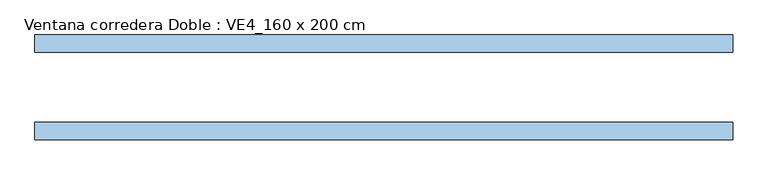
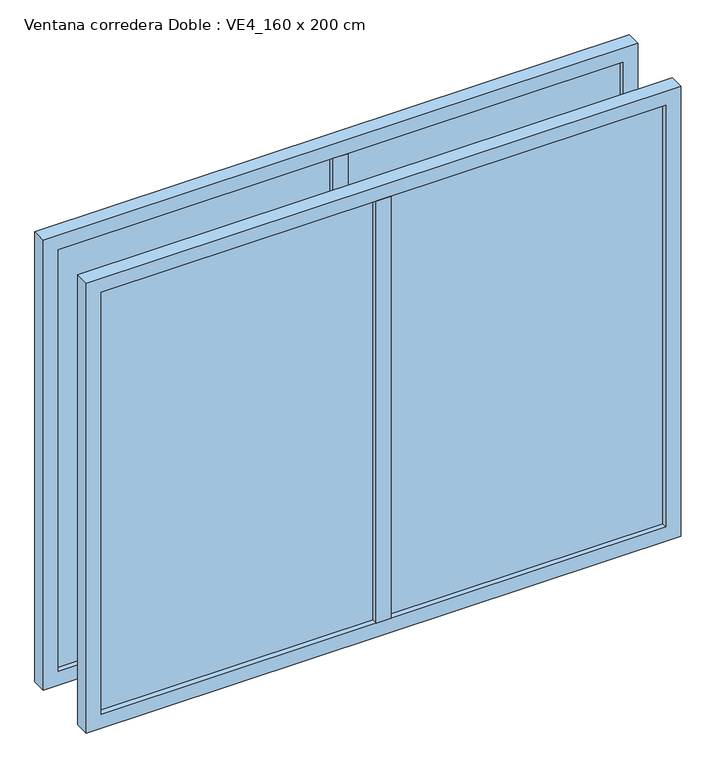
"""IFC4 building model written with IfcOpenShell, lengths in millimetres: window geometry, Ventana corredera Doble : VE4_160 x 200 cm."""

from ifc_helpers import new_model, si_unit, frame, origin, place, context, project, spatial, polyline, outline, extrude, source, transform, mapped, element, save


def ventana_corredera_doble_ve4_160_x_200_cm_9f5d9473(model_context):
    return source(origin(), model_context, "Body", "SweptSolid", [
        extrude(outline(polyline([(-25.0, -150.0), (-25.0, -100.0), (25.0, -100.0), (25.0, -150.0), (-25.0, -150.0)])), frame((0.0, 0.0, 850.0), z_axis=(0.0, 0.0, 1.0), x_axis=(1.0, 0.0, 0.0)), (0.0, 0.0, 1.0), 1500.0),
        extrude(outline(polyline([(950.0, -131.5), (-950.0, -131.5), (-950.0, -118.5), (950.0, -118.5), (950.0, -131.5)])), frame((0.0, 0.0, 850.0), z_axis=(0.0, 0.0, 1.0), x_axis=(1.0, 0.0, 0.0)), (0.0, 0.0, 1.0), 1500.0),
        extrude(outline(polyline([(800.0, 1000.0), (2400.0, 1000.0), (2400.0, -1000.0), (800.0, -1000.0), (800.0, 1000.0)]), holes=[polyline([(2350.0, 950.0), (850.0, 950.0), (850.0, -950.0), (2350.0, -950.0), (2350.0, 950.0)])]), frame((0.0, -150.0, 0.0), z_axis=(0.0, 1.0, 0.0), x_axis=(0.0, 0.0, 1.0)), (0.0, 0.0, 1.0), 50.0),
        extrude(outline(polyline([(-25.0, 150.0), (25.0, 150.0), (25.0, 100.0), (-25.0, 100.0), (-25.0, 150.0)])), frame((0.0, 0.0, 850.0), z_axis=(0.0, 0.0, 1.0), x_axis=(1.0, 0.0, 0.0)), (0.0, 0.0, 1.0), 1500.0),
        extrude(outline(polyline([(950.0, 131.5), (950.0, 118.5), (-950.0, 118.5), (-950.0, 131.5), (950.0, 131.5)])), frame((0.0, 0.0, 850.0), z_axis=(0.0, 0.0, 1.0), x_axis=(1.0, 0.0, 0.0)), (0.0, 0.0, 1.0), 1500.0),
        extrude(outline(polyline([(2400.0, 1000.0), (2400.0, -1000.0), (800.0, -1000.0), (800.0, 1000.0), (2400.0, 1000.0)]), holes=[polyline([(850.0, 950.0), (850.0, -950.0), (2350.0, -950.0), (2350.0, 950.0), (850.0, 950.0)])]), frame((0.0, 100.0, 0.0), z_axis=(0.0, 1.0, 0.0), x_axis=(0.0, 0.0, 1.0)), (0.0, 0.0, 1.0), 50.0),
    ])


if __name__ == "__main__":
    model = new_model("IFC4")
    model_context = context("Model", 3, world=origin())
    ifc_project = project(units=[si_unit("LENGTHUNIT", "METRE", prefix="MILLI")], contexts=[model_context])
    site = spatial("IfcSite", under=ifc_project)
    building = spatial("IfcBuilding", under=site)
    placement = place(None, origin())
    ventana_corredera_doble_ve4_160_x_200_cm_shape = ventana_corredera_doble_ve4_160_x_200_cm_9f5d9473(model_context)
    element("IfcWindow", 1, ObjectType="Ventana corredera Doble : VE4_160 x 200 cm", at=placement, inside=building, context=model_context, shape_type="MappedRepresentation", body=[
        mapped(ventana_corredera_doble_ve4_160_x_200_cm_shape, transform((0.0, 0.0, 0.0), x_axis=(1.0, 0.0, 0.0), y_axis=(0.0, 1.0, 0.0), z_axis=(0.0, 0.0, 1.0))),
    ])
    save(model, "model.ifc")
